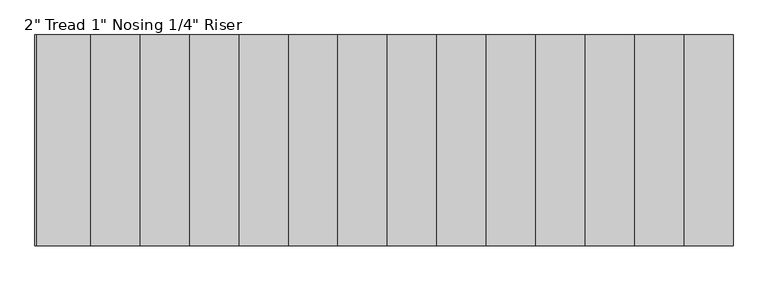
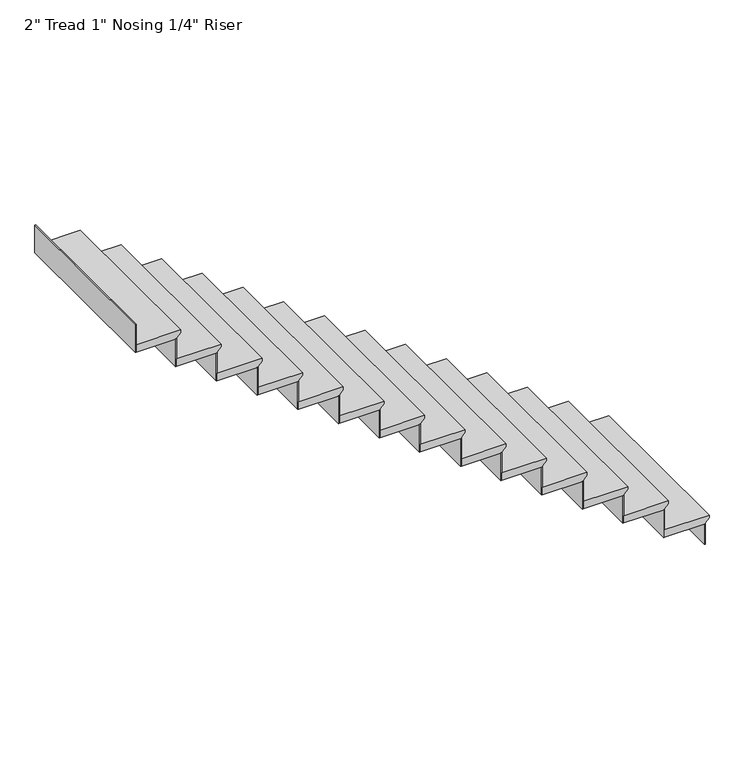
"""IFC4 building model written with IfcOpenShell, lengths in millimetres: stair flight geometry."""

import ifcopenshell
import ifcopenshell.guid

model = None  # the IFC model being written
_history = None  # IfcOwnerHistory: only IFC2X3 demands one
_inside = {}  # id of a spatial element -> (the spatial element, [elements in it])
_under = {}  # id of a project, library or spatial element -> (it, [spatial elements below it])
_declared = {}  # id of a project -> (the project, [libraries it declares])
_typed = {}  # id of a type object -> (the type object, [elements of that type])
_made_of = {}  # id of a material, layer set ... -> (it, [elements and type objects made of it])


def new_model(schema):
    """Start an empty IFC model of exactly this schema.

    Asked for "IFC4X3", IfcOpenShell would pick the latest addendum, in which some entities
    have other attributes; the version numbers below select the first issue.
    IFC2X3 requires an IfcOwnerHistory on every rooted entity: one is made here for all.
    """
    global model, _history
    if schema == "IFC4X3":
        model = ifcopenshell.file(schema_version=(4, 3, 0, 0))
    else:
        model = ifcopenshell.file(schema=schema)
    _inside.clear()
    _under.clear()
    _declared.clear()
    _typed.clear()
    _made_of.clear()
    _history = None
    if model.schema == "IFC2X3":
        org = make("IfcOrganization", Name="unknown")
        user = make(
            "IfcPersonAndOrganization",
            ThePerson=make("IfcPerson", FamilyName="unknown"),
            TheOrganization=org,
        )
        app = make(
            "IfcApplication",
            ApplicationDeveloper=org,
            Version="unknown",
            ApplicationFullName="unknown",
            ApplicationIdentifier="unknown",
        )
        _history = make(
            "IfcOwnerHistory",
            OwningUser=user,
            OwningApplication=app,
            ChangeAction="ADDED",
            CreationDate=0,
        )
    return model


def make(cls, **values):
    """One entity of the class cls with the attributes given. An attribute that is None is left unset."""
    return model.create_entity(
        cls, **{name: value for name, value in values.items() if value is not None}
    )


def rooted(cls, **values):
    """An entity with a GlobalId (a new one), such as an element, a storey or a relation."""
    return make(cls, GlobalId=ifcopenshell.guid.new(), OwnerHistory=_history, **values)


def si_unit(unit_type, name, prefix=None):
    """IfcSIUnit, for example si_unit("LENGTHUNIT", "METRE", prefix="MILLI")."""
    return make("IfcSIUnit", UnitType=unit_type, Prefix=prefix, Name=name)


def assignment(units):
    """IfcUnitAssignment: the units of a project."""
    return None if units is None else make("IfcUnitAssignment", Units=units)


def point(xyz):
    """IfcCartesianPoint."""
    return None if xyz is None else make("IfcCartesianPoint", Coordinates=xyz)


def direction(xyz):
    """IfcDirection."""
    return None if xyz is None else make("IfcDirection", DirectionRatios=xyz)


def frame(location, z_axis=None, x_axis=None):
    """IfcAxis2Placement3D, a coordinate frame: its origin and axes. An axis left out is left unset."""
    return make(
        "IfcAxis2Placement3D",
        Location=point(location),
        Axis=direction(z_axis),
        RefDirection=direction(x_axis),
    )


def origin():
    """The frame at (0, 0, 0) with its axes left unset."""
    return frame((0.0, 0.0, 0.0))


def place(relative_to, where):
    """IfcLocalPlacement: puts the frame where relative to a parent placement (None: the world)."""
    return make(
        "IfcLocalPlacement", PlacementRelTo=relative_to, RelativePlacement=where
    )


def context(
    kind, dimensions, precision=None, world=None, true_north=None, identifier=None
):
    """IfcGeometricRepresentationContext, for example the 3D "Model" context."""
    return make(
        "IfcGeometricRepresentationContext",
        ContextIdentifier=identifier,
        ContextType=kind,
        CoordinateSpaceDimension=dimensions,
        Precision=precision,
        WorldCoordinateSystem=world,
        TrueNorth=true_north,
    )


def project(units=None, contexts=None):
    """IfcProject with its units and contexts."""
    return rooted(
        "IfcProject",
        Name="project",
        RepresentationContexts=contexts,
        UnitsInContext=assignment(units),
    )


def spatial(cls, under=None, at=None, **own):
    """A site, building, storey or space (cls), placed at a placement, below another one or the project."""
    s = rooted(cls, ObjectPlacement=at, **own)
    if under is not None:
        _under.setdefault(under.id(), (under, []))[1].append(s)
    return s


def polyline(points):
    """IfcPolyline through the points."""
    return make("IfcPolyline", Points=[point(p) for p in points])


def outline(outer, holes=None, kind="AREA"):
    """IfcArbitraryClosedProfileDef: a profile drawn as a closed curve; with holes, ...WithVoids."""
    if holes is None:
        return make("IfcArbitraryClosedProfileDef", ProfileType=kind, OuterCurve=outer)
    return make(
        "IfcArbitraryProfileDefWithVoids",
        ProfileType=kind,
        OuterCurve=outer,
        InnerCurves=holes,
    )


def extrude(swept, where, along, depth):
    """IfcExtrudedAreaSolid: the profile swept, set in the frame where, extruded along a direction by depth."""
    return make(
        "IfcExtrudedAreaSolid",
        SweptArea=swept,
        Position=where,
        ExtrudedDirection=direction(along),
        Depth=depth,
    )


def shape(context_of_items, identifier, shape_type, items):
    """IfcShapeRepresentation: the items that make up one representation, for example the "Body"."""
    return make(
        "IfcShapeRepresentation",
        ContextOfItems=context_of_items,
        RepresentationIdentifier=identifier,
        RepresentationType=shape_type,
        Items=items,
    )


def source(mapping_origin, context_of_items, identifier, shape_type, items):
    """IfcRepresentationMap: a shape defined once, which mapped items show again and again."""
    return make(
        "IfcRepresentationMap",
        MappingOrigin=mapping_origin,
        MappedRepresentation=shape(context_of_items, identifier, shape_type, items),
    )


def transform(
    local_origin,
    x_axis=None,
    y_axis=None,
    z_axis=None,
    scale=None,
    scale2=None,
    scale3=None,
    uniform=True,
):
    """IfcCartesianTransformationOperator3D, or its non-uniform kind. x_axis, y_axis, z_axis: its Axis1, 2, 3."""
    if uniform:
        return make(
            "IfcCartesianTransformationOperator3D",
            Axis1=direction(x_axis),
            Axis2=direction(y_axis),
            LocalOrigin=point(local_origin),
            Scale=scale,
            Axis3=direction(z_axis),
        )
    return make(
        "IfcCartesianTransformationOperator3DnonUniform",
        Axis1=direction(x_axis),
        Axis2=direction(y_axis),
        LocalOrigin=point(local_origin),
        Scale=scale,
        Axis3=direction(z_axis),
        Scale2=scale2,
        Scale3=scale3,
    )


def mapped(mapping_source, mapping_target):
    """IfcMappedItem: shows the shape of a source again, moved by a transform."""
    return make(
        "IfcMappedItem", MappingSource=mapping_source, MappingTarget=mapping_target
    )


def made_of(thing, what):
    """Note that an element or type object is made of a material, layer set ...; save() writes the relation."""
    if what is not None:
        _made_of.setdefault(what.id(), (what, []))[1].append(thing)
    return thing


def element(
    cls,
    number,
    at=None,
    inside=None,
    cuts=None,
    type_object=None,
    material=None,
    context=None,
    identifier="Body",
    shape_type=None,
    held_by="IfcProductDefinitionShape",
    body=None,
    shapes=None,
    **own,
):
    """One element of the class cls, such as IfcWall. Its Tag is "e" and its number.

    at: its placement. inside: the storey or other place that contains it. cuts: it is an
    opening in that element (IfcRelVoidsElement). A single representation is given by context,
    identifier, shape_type and body (its items); several are given by shapes. held_by: the class
    of the entity that holds the representations. save() writes the other relations.
    """
    e = rooted(cls, Tag="e%d" % number, ObjectPlacement=at, **own)
    if body is not None:
        shapes = [shape(context, identifier, shape_type, body)]
    if shapes is not None:
        e.Representation = make(held_by, Representations=shapes)
    if inside is not None:
        _inside.setdefault(inside.id(), (inside, []))[1].append(e)
    if cuts is not None:
        rooted(
            "IfcRelVoidsElement", RelatingBuildingElement=cuts, RelatedOpeningElement=e
        )
    if type_object is not None:
        _typed.setdefault(type_object.id(), (type_object, []))[1].append(e)
    return made_of(e, material)


def aggregate(whole, parts):
    """IfcRelAggregates: a whole, such as a stair, and the parts it consists of."""
    return rooted("IfcRelAggregates", RelatingObject=whole, RelatedObjects=parts)


def save(model, path):
    """Write the relations noted so far, then the file.

    IfcRelAggregates (storeys below a building ...), IfcRelContainedInSpatialStructure (elements
    in a storey), IfcRelDefinesByType, IfcRelAssociatesMaterial and IfcRelDeclares: one each for
    every whole, place, type object, material and project.
    """
    for whole, parts in _under.values():
        aggregate(whole, parts)
    for where, things in _inside.values():
        rooted(
            "IfcRelContainedInSpatialStructure",
            RelatedElements=things,
            RelatingStructure=where,
        )
    for kind, things in _typed.values():
        rooted("IfcRelDefinesByType", RelatedObjects=things, RelatingType=kind)
    for what, things in _made_of.values():
        rooted("IfcRelAssociatesMaterial", RelatedObjects=things, RelatingMaterial=what)
    for by, libraries in _declared.values():
        rooted("IfcRelDeclares", RelatingContext=by, RelatedDefinitions=libraries)
    model.write(path)


def stair_flight_3bb3014a(model_context):
    return source(origin(), model_context, "Body", "SweptSolid", [
        extrude(outline(polyline([(-2779.7125, 44889.8101274), (-2779.7125, 44597.7101274), (-2830.5125, 44597.7101274), (-2830.5125, 44864.4101274), (-2824.1625, 44864.4101274), (-2798.7625, 44889.8101274), (-2779.7125, 44889.8101274)])), frame((0.0, 23327.9696018, 0.0), z_axis=(0.0, 1.0, 0.0), x_axis=(0.0, 0.0, 1.0)), (0.0, 0.0, 1.0), 1137.766442),
        extrude(outline(polyline([(44858.0601274, 24465.7360438), (44864.4101274, 24465.7360438), (44864.4101274, 23327.9696018), (44858.0601274, 23327.9696018), (44858.0601274, 24465.7360438)])), frame((0.0, 0.0, -2971.8), z_axis=(0.0, 0.0, 1.0), x_axis=(1.0, 0.0, 0.0)), (0.0, 0.0, 1.0), 141.2875),
        extrude(outline(polyline([(44591.3601274, 24465.7360438), (44597.7101274, 24465.7360438), (44597.7101274, 23327.9696018), (44591.3601274, 23327.9696018), (44591.3601274, 24465.7360438)])), frame((0.0, 0.0, -2830.5125), z_axis=(0.0, 0.0, 1.0), x_axis=(1.0, 0.0, 0.0)), (0.0, 0.0, 1.0), 192.0875),
        extrude(outline(polyline([(-2587.625, 44623.1101274), (-2587.625, 44331.0101274), (-2638.425, 44331.0101274), (-2638.425, 44597.7101274), (-2632.075, 44597.7101274), (-2606.675, 44623.1101274), (-2587.625, 44623.1101274)])), frame((0.0, 23327.9696018, 0.0), z_axis=(0.0, 1.0, 0.0), x_axis=(0.0, 0.0, 1.0)), (0.0, 0.0, 1.0), 1137.766442),
        extrude(outline(polyline([(44324.6601274, 24465.7360438), (44331.0101274, 24465.7360438), (44331.0101274, 23327.9696018), (44324.6601274, 23327.9696018), (44324.6601274, 24465.7360438)])), frame((0.0, 0.0, -2638.425), z_axis=(0.0, 0.0, 1.0), x_axis=(1.0, 0.0, 0.0)), (0.0, 0.0, 1.0), 192.0875),
        extrude(outline(polyline([(-2395.5375, 44356.4101274), (-2395.5375, 44064.3101274), (-2446.3375, 44064.3101274), (-2446.3375, 44331.0101274), (-2439.9875, 44331.0101274), (-2414.5875, 44356.4101274), (-2395.5375, 44356.4101274)])), frame((0.0, 23327.9696018, 0.0), z_axis=(0.0, 1.0, 0.0), x_axis=(0.0, 0.0, 1.0)), (0.0, 0.0, 1.0), 1137.766442),
        extrude(outline(polyline([(44057.9601274, 24465.7360438), (44064.3101274, 24465.7360438), (44064.3101274, 23327.9696018), (44057.9601274, 23327.9696018), (44057.9601274, 24465.7360438)])), frame((0.0, 0.0, -2446.3375), z_axis=(0.0, 0.0, 1.0), x_axis=(1.0, 0.0, 0.0)), (0.0, 0.0, 1.0), 192.0875),
        extrude(outline(polyline([(-2203.45, 44089.7101274), (-2203.45, 43797.6101274), (-2254.25, 43797.6101274), (-2254.25, 44064.3101274), (-2247.9, 44064.3101274), (-2222.5, 44089.7101274), (-2203.45, 44089.7101274)])), frame((0.0, 23327.9696018, 0.0), z_axis=(0.0, 1.0, 0.0), x_axis=(0.0, 0.0, 1.0)), (0.0, 0.0, 1.0), 1137.766442),
        extrude(outline(polyline([(43791.2601274, 24465.7360438), (43797.6101274, 24465.7360438), (43797.6101274, 23327.9696018), (43791.2601274, 23327.9696018), (43791.2601274, 24465.7360438)])), frame((0.0, 0.0, -2254.25), z_axis=(0.0, 0.0, 1.0), x_axis=(1.0, 0.0, 0.0)), (0.0, 0.0, 1.0), 192.0875),
        extrude(outline(polyline([(-2011.3625, 43823.0101274), (-2011.3625, 43530.9101274), (-2062.1625, 43530.9101274), (-2062.1625, 43797.6101274), (-2055.8125, 43797.6101274), (-2030.4125, 43823.0101274), (-2011.3625, 43823.0101274)])), frame((0.0, 23327.9696018, 0.0), z_axis=(0.0, 1.0, 0.0), x_axis=(0.0, 0.0, 1.0)), (0.0, 0.0, 1.0), 1137.766442),
        extrude(outline(polyline([(43524.5601274, 24465.7360438), (43530.9101274, 24465.7360438), (43530.9101274, 23327.9696018), (43524.5601274, 23327.9696018), (43524.5601274, 24465.7360438)])), frame((0.0, 0.0, -2062.1625), z_axis=(0.0, 0.0, 1.0), x_axis=(1.0, 0.0, 0.0)), (0.0, 0.0, 1.0), 192.0875),
        extrude(outline(polyline([(-1819.275, 43556.3101274), (-1819.275, 43264.2101274), (-1870.075, 43264.2101274), (-1870.075, 43530.9101274), (-1863.725, 43530.9101274), (-1838.325, 43556.3101274), (-1819.275, 43556.3101274)])), frame((0.0, 23327.9696018, 0.0), z_axis=(0.0, 1.0, 0.0), x_axis=(0.0, 0.0, 1.0)), (0.0, 0.0, 1.0), 1137.766442),
        extrude(outline(polyline([(43257.8601274, 24465.7360438), (43264.2101274, 24465.7360438), (43264.2101274, 23327.9696018), (43257.8601274, 23327.9696018), (43257.8601274, 24465.7360438)])), frame((0.0, 0.0, -1870.075), z_axis=(0.0, 0.0, 1.0), x_axis=(1.0, 0.0, 0.0)), (0.0, 0.0, 1.0), 192.0875),
        extrude(outline(polyline([(-1627.1875, 43289.6101274), (-1627.1875, 42997.5101274), (-1677.9875, 42997.5101274), (-1677.9875, 43264.2101274), (-1671.6375, 43264.2101274), (-1646.2375, 43289.6101274), (-1627.1875, 43289.6101274)])), frame((0.0, 23327.9696018, 0.0), z_axis=(0.0, 1.0, 0.0), x_axis=(0.0, 0.0, 1.0)), (0.0, 0.0, 1.0), 1137.766442),
        extrude(outline(polyline([(42991.1601274, 24465.7360438), (42997.5101274, 24465.7360438), (42997.5101274, 23327.9696018), (42991.1601274, 23327.9696018), (42991.1601274, 24465.7360438)])), frame((0.0, 0.0, -1677.9875), z_axis=(0.0, 0.0, 1.0), x_axis=(1.0, 0.0, 0.0)), (0.0, 0.0, 1.0), 192.0875),
        extrude(outline(polyline([(-1435.1, 43022.9101274), (-1435.1, 42730.8101274), (-1485.9, 42730.8101274), (-1485.9, 42997.5101274), (-1479.55, 42997.5101274), (-1454.15, 43022.9101274), (-1435.1, 43022.9101274)])), frame((0.0, 23327.9696018, 0.0), z_axis=(0.0, 1.0, 0.0), x_axis=(0.0, 0.0, 1.0)), (0.0, 0.0, 1.0), 1137.766442),
        extrude(outline(polyline([(42724.4601274, 24465.7360438), (42730.8101274, 24465.7360438), (42730.8101274, 23327.9696018), (42724.4601274, 23327.9696018), (42724.4601274, 24465.7360438)])), frame((0.0, 0.0, -1485.9), z_axis=(0.0, 0.0, 1.0), x_axis=(1.0, 0.0, 0.0)), (0.0, 0.0, 1.0), 192.0875),
        extrude(outline(polyline([(-1243.0125, 42756.2101274), (-1243.0125, 42464.1101274), (-1293.8125, 42464.1101274), (-1293.8125, 42730.8101274), (-1287.4625, 42730.8101274), (-1262.0625, 42756.2101274), (-1243.0125, 42756.2101274)])), frame((0.0, 23327.9696018, 0.0), z_axis=(0.0, 1.0, 0.0), x_axis=(0.0, 0.0, 1.0)), (0.0, 0.0, 1.0), 1137.766442),
        extrude(outline(polyline([(42457.7601274, 24465.7360438), (42464.1101274, 24465.7360438), (42464.1101274, 23327.9696018), (42457.7601274, 23327.9696018), (42457.7601274, 24465.7360438)])), frame((0.0, 0.0, -1293.8125), z_axis=(0.0, 0.0, 1.0), x_axis=(1.0, 0.0, 0.0)), (0.0, 0.0, 1.0), 192.0875),
        extrude(outline(polyline([(-1050.925, 42489.5101274), (-1050.925, 42197.4101274), (-1101.725, 42197.4101274), (-1101.725, 42464.1101274), (-1095.375, 42464.1101274), (-1069.975, 42489.5101274), (-1050.925, 42489.5101274)])), frame((0.0, 23327.9696018, 0.0), z_axis=(0.0, 1.0, 0.0), x_axis=(0.0, 0.0, 1.0)), (0.0, 0.0, 1.0), 1137.766442),
        extrude(outline(polyline([(42191.0601274, 24465.7360438), (42197.4101274, 24465.7360438), (42197.4101274, 23327.9696018), (42191.0601274, 23327.9696018), (42191.0601274, 24465.7360438)])), frame((0.0, 0.0, -1101.725), z_axis=(0.0, 0.0, 1.0), x_axis=(1.0, 0.0, 0.0)), (0.0, 0.0, 1.0), 192.0875),
        extrude(outline(polyline([(-858.8375, 42222.8101274), (-858.8375, 41930.7101274), (-909.6375, 41930.7101274), (-909.6375, 42197.4101274), (-903.2875, 42197.4101274), (-877.8875, 42222.8101274), (-858.8375, 42222.8101274)])), frame((0.0, 23327.9696018, 0.0), z_axis=(0.0, 1.0, 0.0), x_axis=(0.0, 0.0, 1.0)), (0.0, 0.0, 1.0), 1137.766442),
        extrude(outline(polyline([(41924.3601274, 24465.7360438), (41930.7101274, 24465.7360438), (41930.7101274, 23327.9696018), (41924.3601274, 23327.9696018), (41924.3601274, 24465.7360438)])), frame((0.0, 0.0, -909.6375), z_axis=(0.0, 0.0, 1.0), x_axis=(1.0, 0.0, 0.0)), (0.0, 0.0, 1.0), 192.0875),
        extrude(outline(polyline([(-666.75, 41956.1101274), (-666.75, 41664.0101274), (-717.55, 41664.0101274), (-717.55, 41930.7101274), (-711.2, 41930.7101274), (-685.8, 41956.1101274), (-666.75, 41956.1101274)])), frame((0.0, 23327.9696018, 0.0), z_axis=(0.0, 1.0, 0.0), x_axis=(0.0, 0.0, 1.0)), (0.0, 0.0, 1.0), 1137.766442),
        extrude(outline(polyline([(41657.6601274, 24465.7360438), (41664.0101274, 24465.7360438), (41664.0101274, 23327.9696018), (41657.6601274, 23327.9696018), (41657.6601274, 24465.7360438)])), frame((0.0, 0.0, -717.55), z_axis=(0.0, 0.0, 1.0), x_axis=(1.0, 0.0, 0.0)), (0.0, 0.0, 1.0), 192.0875),
        extrude(outline(polyline([(-474.6625, 41689.4101274), (-474.6625, 41397.3101274), (-525.4625, 41397.3101274), (-525.4625, 41664.0101274), (-519.1125, 41664.0101274), (-493.7125, 41689.4101274), (-474.6625, 41689.4101274)])), frame((0.0, 23327.9696018, 0.0), z_axis=(0.0, 1.0, 0.0), x_axis=(0.0, 0.0, 1.0)), (0.0, 0.0, 1.0), 1137.766442),
        extrude(outline(polyline([(41390.9601274, 24465.7360438), (41397.3101274, 24465.7360438), (41397.3101274, 23327.9696018), (41390.9601274, 23327.9696018), (41390.9601274, 24465.7360438)])), frame((0.0, 0.0, -525.4625), z_axis=(0.0, 0.0, 1.0), x_axis=(1.0, 0.0, 0.0)), (0.0, 0.0, 1.0), 192.0875),
        extrude(outline(polyline([(41124.2601274, 24465.7360438), (41130.6101274, 24465.7360438), (41130.6101274, 23327.9696018), (41124.2601274, 23327.9696018), (41124.2601274, 24465.7360438)])), frame((0.0, 0.0, -333.375), z_axis=(0.0, 0.0, 1.0), x_axis=(1.0, 0.0, 0.0)), (0.0, 0.0, 1.0), 192.0875),
        extrude(outline(polyline([(-282.575, 41422.7101274), (-282.575, 41130.6101274), (-333.375, 41130.6101274), (-333.375, 41397.3101274), (-327.025, 41397.3101274), (-301.625, 41422.7101274), (-282.575, 41422.7101274)])), frame((0.0, 23327.9696018, 0.0), z_axis=(0.0, 1.0, 0.0), x_axis=(0.0, 0.0, 1.0)), (0.0, 0.0, 1.0), 1137.766442),
    ])


if __name__ == "__main__":
    model = new_model("IFC4")
    model_context = context("Model", 3, world=origin())
    ifc_project = project(units=[si_unit("LENGTHUNIT", "METRE", prefix="MILLI")], contexts=[model_context])
    site = spatial("IfcSite", under=ifc_project)
    building = spatial("IfcBuilding", under=site)
    placement = place(None, origin())
    stair_flight_shape = stair_flight_3bb3014a(model_context)
    element("IfcStairFlight", 1, ObjectType="2\" Tread 1\" Nosing 1/4\" Riser", at=placement, inside=building, context=model_context, shape_type="MappedRepresentation", body=[
        mapped(stair_flight_shape, transform((0.0, 0.0, 0.0), x_axis=(1.0, 0.0, 0.0), y_axis=(0.0, 1.0, 0.0), z_axis=(0.0, 0.0, 1.0))),
    ])
    save(model, "model.ifc")
